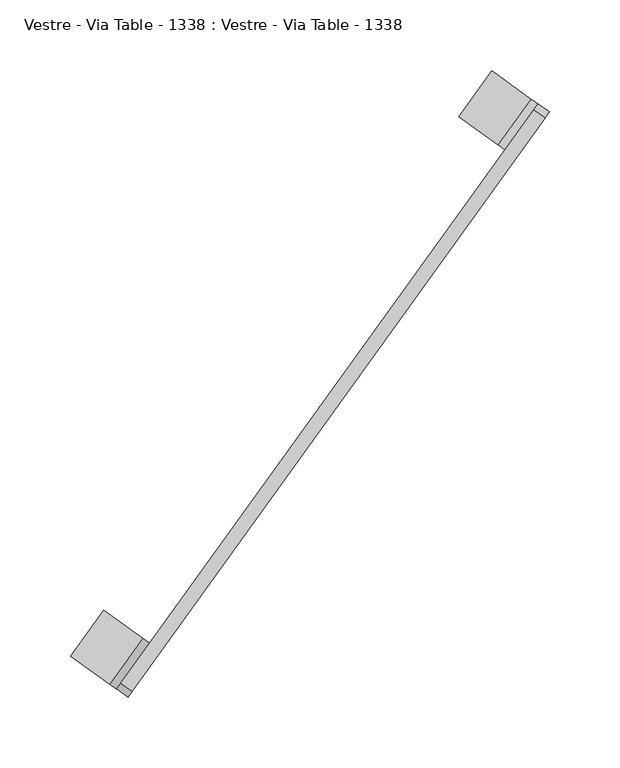
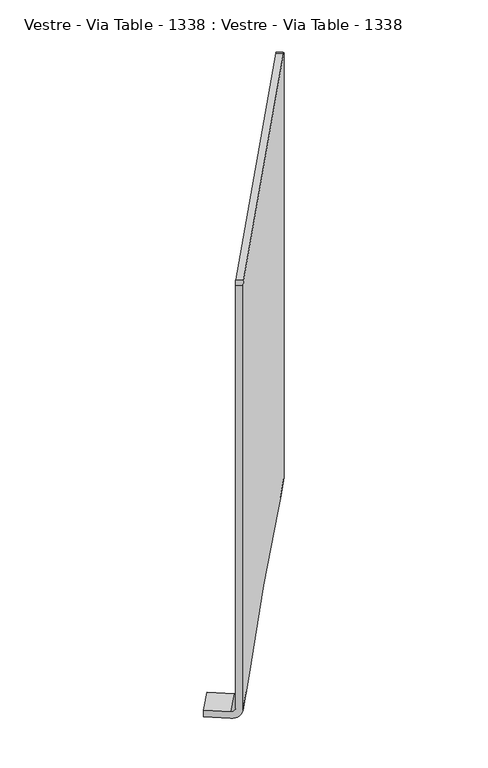
"""IFC4 building model written with IfcOpenShell, lengths in millimetres: furniture geometry, Vestre - Via Table - 1338 : Vestre - Via Table - 1338."""

from ifc_helpers import new_model, si_unit, frame, origin, place, context, project, spatial, polyline, circle_curve, source, transform, mapped, element, save
from ifc_brep_helpers import plane_surface, cylinder_surface, revolved_surface, advanced_brep


def vestre_via_table_1338_vestre_via_table_1338_fbfffa06(model_context):
    return source(origin(), model_context, "Body", "AdvancedBrep", [
        advanced_brep(
        [(592.5858758, 60.5798356, 15.8400028), (579.7349174, 69.8404272, 0.0), (552.072716, 89.7742208, 0.0), (552.072716, 89.7742208, 9.8400028), (579.734911, 69.8404318, 9.8400028), (584.6026974, 66.3326325, 15.8400028), (584.6026974, 66.3326325, 666.3451332), (592.5858758, 60.5798356, 666.3451332), (561.2173691, 33.8807232, 15.8400028), (556.3495827, 37.3885225, 9.8400028), (528.6873876, 57.3223115, 9.8400028), (528.6873876, 57.3223115, 0.0), (556.3495891, 37.3885179, 0.0), (569.2005475, 28.1279262, 15.8400028), (541.8786515, 7.044311, 15.8400028), (329.1638072, -288.1408899, 15.8400028), (309.8250896, -314.9773021, 15.8400028), (286.4397613, -347.4292114, 15.8400028), (286.4397613, -347.4292114, 666.3451332), (289.3629273, -343.3727227, 671.3451332), (581.6795314, 62.2761439, 671.3451332), (589.6627097, 56.5233469, 671.3451332), (297.3461057, -349.1255197, 671.3451332), (294.4229396, -353.1820084, 666.3451332), (294.4229396, -353.1820084, 15.8400028), (317.808268, -320.7300991, 15.8400028), (337.1469856, -293.8936869, 15.8400028), (549.8618299, 1.291514, 15.8400028), (281.5719749, -343.9214122, 9.8400028), (253.9097798, -323.9876231, 9.8400028), (253.9097798, -323.9876231, 0.0), (281.5719813, -343.9214167, 0.0), (304.9573096, -311.4695074, 0.0), (277.2951082, -291.5357138, 0.0), (277.2951082, -291.5357138, 9.8400028), (304.9573032, -311.4695028, 9.8400028)],
        [
            (0, 1, circle_curve(frame((579.7349174, 69.8404272, 15.8400028), z_axis=(0.5846332081206281, 0.8112977332413683, 0.0), x_axis=(-0.8112977332413683, 0.5846332081206281, 0.0)), 15.8400028)),
            (1, 2),
            (2, 3),
            (3, 4),
            (4, 5, circle_curve(frame((579.734911, 69.8404318, 15.8400028), z_axis=(-0.5846332081206281, -0.8112977332413683, 0.0), x_axis=(-0.8112977332413683, 0.5846332081206281, 0.0)), 6.0)),
            (5, 6),
            (6, 7),
            (7, 0),
            (8, 9, circle_curve(frame((556.3495827, 37.3885225, 15.8400028), z_axis=(0.5846332081206281, 0.8112977332413683, 0.0), x_axis=(-0.8112977332413683, 0.5846332081206281, 0.0)), 6.0)),
            (9, 10),
            (10, 11),
            (11, 12),
            (12, 13, circle_curve(frame((556.3495891, 37.3885179, 15.8400028), z_axis=(-0.5846332081206281, -0.8112977332413683, 0.0), x_axis=(-0.8112977332413683, 0.5846332081206281, 0.0)), 15.8400028)),
            (13, 8),
            (0, 13),
            (12, 1),
            (11, 2),
            (10, 3),
            (9, 4),
            (8, 5),
            (14, 15, circle_curve(frame((435.5212294, -140.5482894, -1343.0365637), z_axis=(0.8112977332413681, -0.5846332081206282, 0.0), x_axis=(0.0775765296494671, 0.10765324614327092, 0.991157233057582)), 1371.0)),
            (15, 16),
            (16, 17),
            (17, 18),
            (18, 19, circle_curve(frame((289.3629273, -343.3727227, 666.3451332), z_axis=(-0.8112977332413683, 0.5846332081206281, 0.0), x_axis=(0.0, 0.0, 1.0)), 5.0)),
            (19, 20),
            (20, 6, circle_curve(frame((581.6795314, 62.2761439, 666.3451332), z_axis=(-0.8112977332413683, 0.5846332081206281, 0.0), x_axis=(0.5846332081206281, 0.8112977332413683, 0.0)), 5.0)),
            (8, 14),
            (7, 21, circle_curve(frame((589.6627097, 56.5233469, 666.3451332), z_axis=(0.8112977332413683, -0.5846332081206281, 0.0), x_axis=(0.5846332081206281, 0.8112977332413683, 0.0)), 5.0)),
            (21, 22),
            (22, 23, circle_curve(frame((297.3461057, -349.1255197, 666.3451332), z_axis=(0.8112977332413683, -0.5846332081206281, 0.0), x_axis=(0.0, 0.0, 1.0)), 5.0)),
            (23, 24),
            (24, 25),
            (25, 26),
            (26, 27, circle_curve(frame((443.5044077, -146.3010864, -1343.0365637), z_axis=(-0.8112977332413681, 0.5846332081206282, 0.0), x_axis=(0.0775765296494671, 0.10765324614327092, 0.991157233057582)), 1371.0)),
            (27, 13),
            (20, 21),
            (19, 22),
            (18, 23),
            (17, 28, circle_curve(frame((281.5719749, -343.9214122, 15.8400028), z_axis=(0.5846332081206281, 0.8112977332413683, 0.0), x_axis=(-0.8112977332413683, 0.5846332081206281, 0.0)), 6.0)),
            (28, 29),
            (29, 30),
            (30, 31),
            (31, 24, circle_curve(frame((281.5719813, -343.9214167, 15.8400028), z_axis=(-0.5846332081206281, -0.8112977332413683, 0.0), x_axis=(-0.8112977332413683, 0.5846332081206281, 0.0)), 15.8400028)),
            (15, 26),
            (25, 16),
            (14, 27),
            (25, 32, circle_curve(frame((304.9573096, -311.4695074, 15.8400028), z_axis=(0.5846332081206281, 0.8112977332413683, 0.0), x_axis=(-0.8112977332413683, 0.5846332081206281, 0.0)), 15.8400028)),
            (32, 33),
            (33, 34),
            (34, 35),
            (35, 16, circle_curve(frame((304.9573032, -311.4695028, 15.8400028), z_axis=(-0.5846332081206281, -0.8112977332413683, 0.0), x_axis=(-0.8112977332413683, 0.5846332081206281, 0.0)), 6.0)),
            (31, 32),
            (30, 33),
            (29, 34),
            (28, 35),
        ],
        [
            plane_surface(frame((592.5858758, 60.5798356, 15.8400028), z_axis=(0.5846332081206281, 0.8112977332413682, 0.0), x_axis=(0.8112977332413682, -0.5846332081206281, 0.0))),
            plane_surface(frame((569.2005475, 28.1279262, 15.8400028), z_axis=(-0.5846332081206281, -0.8112977332413682, 0.0), x_axis=(-0.8112977332413682, 0.5846332081206281, 0.0))),
            cylinder_surface(frame((556.3495891, 37.3885179, 15.8400028), z_axis=(0.5846332081206281, 0.8112977332413683, 0.0), x_axis=(-0.8112977332413683, 0.5846332081206281, 0.0)), 15.8400028),
            plane_surface(frame((579.7349174, 69.8404272, 0.0), z_axis=(0.0, 0.0, -1.0), x_axis=(-0.584633208120628, -0.8112977332413683, 0.0))),
            plane_surface(frame((552.072716, 89.7742208, 0.0), z_axis=(-0.8112977332413682, 0.5846332081206281, 0.0), x_axis=(-0.5846332081206281, -0.8112977332413682, 0.0))),
            plane_surface(frame((552.072716, 89.7742208, 9.8400028), z_axis=(0.0, 0.0, 1.0), x_axis=(-0.584633208120628, -0.8112977332413683, 0.0))),
            revolved_surface(polyline([(551.4817962764196, 40.89632171523527, 15.8400028), (574.8671246028263, 73.3482310470848, 15.8400028)]), (556.3495827, 37.3885225, 15.8400028), (-0.5846332081206281, -0.8112977332413683, 0.0)),
            plane_surface(frame((541.8786515, 7.044311, 15.8400028), z_axis=(-0.8112977332413683, 0.5846332081206281, 0.0), x_axis=(-0.5846332081206281, -0.8112977332413683, 0.0))),
            plane_surface(frame((549.8618299, 1.291514, 15.8400028), z_axis=(0.8112977332413683, -0.5846332081206281, 0.0), x_axis=(0.5846332081206281, 0.8112977332413683, 0.0))),
            cylinder_surface(frame((589.6627097, 56.5233469, 666.3451332), z_axis=(-0.8112977332413683, 0.5846332081206281, 0.0), x_axis=(0.5846332081206281, 0.8112977332413683, 0.0)), 5.0),
            plane_surface(frame((289.3629273, -343.3727227, 671.3451332), z_axis=(0.0, 0.0, 1.0), x_axis=(0.8112977332413679, -0.5846332081206286, 0.0))),
            cylinder_surface(frame((297.3461057, -349.1255197, 666.3451332), z_axis=(-0.8112977332413683, 0.5846332081206281, 0.0), x_axis=(0.0, 0.0, 1.0)), 5.0),
            plane_surface(frame((286.4397613, -347.4292114, 15.8400028), z_axis=(-0.5846332081206286, -0.8112977332413679, 0.0), x_axis=(0.8112977332413679, -0.5846332081206286, 0.0))),
            plane_surface(frame((329.1638072, -288.1408899, 15.8400028), z_axis=(0.0, 0.0, -1.0000000000000002), x_axis=(0.8112977332413623, -0.5846332081206365, 0.0))),
            revolved_surface(polyline([(549.8618299123251, 1.2915140170935906, 15.840002821944836), (541.8786515191127, 7.044311052993248, 15.840002821944836)]), (443.5044077, -146.3010864, -1343.0365637), (0.8112977332413683, -0.5846332081206284, 0.0)),
            plane_surface(frame((584.6026974, 66.3326325, 15.8400028), z_axis=(0.0, 0.0, -1.0), x_axis=(0.8112977332413676, -0.5846332081206291, 0.0))),
            plane_surface(frame((300.0895168, -307.9617036, 15.8400028), z_axis=(0.5846332081206281, 0.8112977332413683, 0.0), x_axis=(0.0, 0.0, -1.0))),
            cylinder_surface(frame((304.9573096, -311.4695074, 15.8400028), z_axis=(-0.5846332081206281, -0.8112977332413683, 0.0), x_axis=(-0.8112977332413683, 0.5846332081206281, 0.0)), 15.8400028),
            plane_surface(frame((253.9097798, -323.9876231, 0.0), z_axis=(0.0, 0.0, -1.0), x_axis=(0.584633208120628, 0.8112977332413683, 0.0))),
            plane_surface(frame((253.9097798, -323.9876231, 9.8400028), z_axis=(-0.8112977332413683, 0.584633208120628, 0.0), x_axis=(0.584633208120628, 0.8112977332413683, 0.0))),
            plane_surface(frame((281.5719749, -343.9214122, 9.8400028), z_axis=(0.0, 0.0, 1.0), x_axis=(0.5846332081206289, 0.8112977332413677, 0.0))),
            revolved_surface(polyline([(300.0895168005518, -307.96170355127623, 15.8400028), (276.7041884508462, -340.4136129154577, 15.8400028)]), (304.9573032, -311.4695028, 15.8400028), (0.5846332081206281, 0.8112977332413683, 0.0)),
        ],
        [
            (0, [[1, 2, 3, 4, 5, 6, 7, 8]]),
            (1, [[9, 10, 11, 12, 13, 14]]),
            (2, [[-1, 15, -13, 16]]),
            (3, [[-2, -16, -12, 17]]),
            (4, [[-3, -17, -11, 18]]),
            (5, [[-4, -18, -10, 19]]),
            (6, [[-5, -19, -9, 20]]),
            (7, [[21, 22, 23, 24, 25, 26, 27, -6, -20, 28]]),
            (8, [[-8, 29, 30, 31, 32, 33, 34, 35, 36, -15]]),
            (9, [[-27, 37, -29, -7]]),
            (10, [[-26, 38, -30, -37]]),
            (11, [[-25, 39, -31, -38]]),
            (12, [[-24, 40, 41, 42, 43, 44, -32, -39]]),
            (13, [[45, -34, 46, -22]]),
            (14, [[-21, 47, -35, -45]]),
            (15, [[-47, -28, -14, -36]]),
            (16, [[48, 49, 50, 51, 52, -46]]),
            (17, [[-44, 53, -48, -33]]),
            (18, [[-43, 54, -49, -53]]),
            (19, [[-42, 55, -50, -54]]),
            (20, [[-41, 56, -51, -55]]),
            (21, [[-40, -23, -52, -56]]),
        ],
    ),
    ])


if __name__ == "__main__":
    model = new_model("IFC4")
    model_context = context("Model", 3, world=origin())
    ifc_project = project(units=[si_unit("LENGTHUNIT", "METRE", prefix="MILLI")], contexts=[model_context])
    site = spatial("IfcSite", under=ifc_project)
    building = spatial("IfcBuilding", under=site)
    placement = place(None, origin())
    vestre_via_table_1338_vestre_via_table_1338_shape = vestre_via_table_1338_vestre_via_table_1338_fbfffa06(model_context)
    element("IfcFurniture", 1, ObjectType="Vestre - Via Table - 1338 : Vestre - Via Table - 1338", at=placement, inside=building, context=model_context, shape_type="MappedRepresentation", body=[
        mapped(vestre_via_table_1338_vestre_via_table_1338_shape, transform((0.0, 0.0, 0.0), x_axis=(1.0, 0.0, 0.0), y_axis=(0.0, 1.0, 0.0), z_axis=(0.0, 0.0, 1.0))),
    ])
    save(model, "model.ifc")
